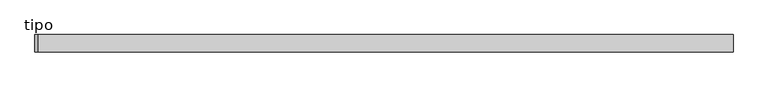
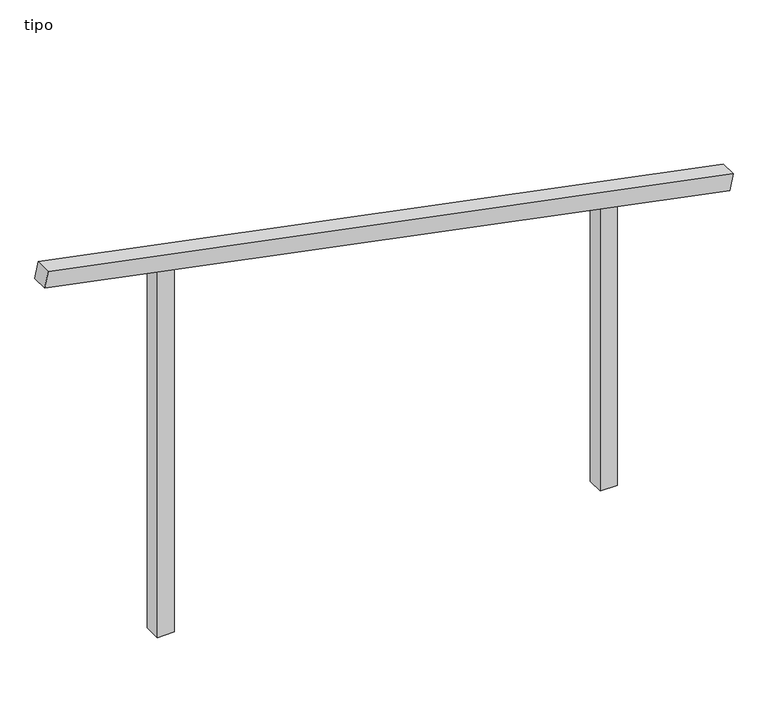
"""IFC4 building model written with IfcOpenShell, lengths in millimetres: proxy geometry, tipo."""

from ifc_helpers import new_model, si_unit, frame, origin, place, context, project, spatial, polyline, outline, extrude, source, transform, mapped, element, save


def tipo_5718e6a8(model_context):
    return source(origin(), model_context, "Body", "SweptSolid", [
        extrude(outline(polyline([(0.0, -4100.0), (0.0, 0.0), (100.0, 0.0), (100.0, -4100.0), (0.0, -4100.0)])), frame((-2010.4288375, -100.0, 2400.8439713), z_axis=(0.19553364455781636, 0.0, 0.9806969939007346), x_axis=(0.0, 1.0, 0.0)), (0.0, 0.0, 1.0), 100.0),
        extrude(outline(polyline([(1730.8338643, 1350.0), (1750.7720966, 1250.0), (0.0, 1250.0), (0.0, 1350.0), (1730.8338643, 1350.0)])), frame((0.0, -100.0, 0.0), z_axis=(0.0, 1.0, 0.0), x_axis=(0.0, 0.0, 1.0)), (0.0, 0.0, 1.0), 100.0),
        extrude(outline(polyline([(2269.1661357, -1350.0), (0.0, -1350.0), (0.0, -1250.0), (2249.2279034, -1250.0), (2269.1661357, -1350.0)])), frame((0.0, -100.0, 0.0), z_axis=(0.0, 1.0, 0.0), x_axis=(0.0, 0.0, 1.0)), (0.0, 0.0, 1.0), 100.0),
    ])


if __name__ == "__main__":
    model = new_model("IFC4")
    model_context = context("Model", 3, world=origin())
    ifc_project = project(units=[si_unit("LENGTHUNIT", "METRE", prefix="MILLI")], contexts=[model_context])
    site = spatial("IfcSite", under=ifc_project)
    building = spatial("IfcBuilding", under=site)
    placement = place(None, origin())
    tipo_shape = tipo_5718e6a8(model_context)
    element("IfcBuildingElementProxy", 1, Name="tipo", ObjectType="tipo", at=placement, inside=building, context=model_context, shape_type="MappedRepresentation", body=[
        mapped(tipo_shape, transform((0.0, 0.0, 0.0), x_axis=(1.0, 0.0, 0.0), y_axis=(0.0, 1.0, 0.0), z_axis=(0.0, 0.0, 1.0))),
    ])
    save(model, "model.ifc")
